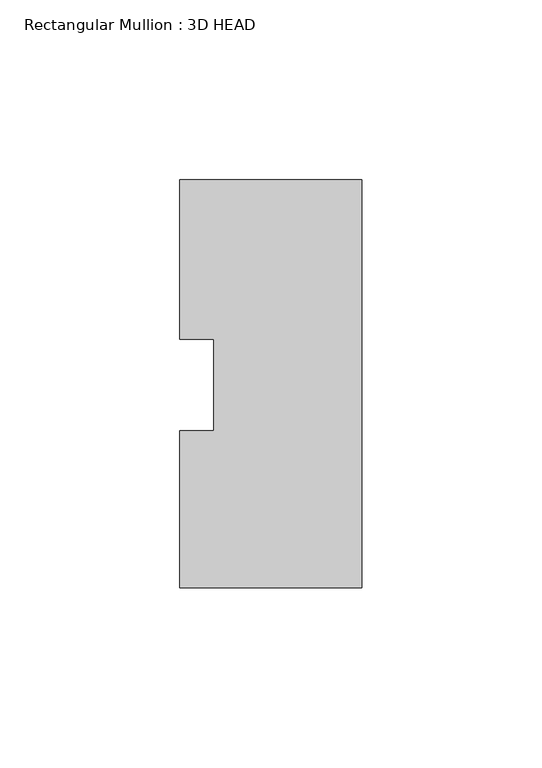
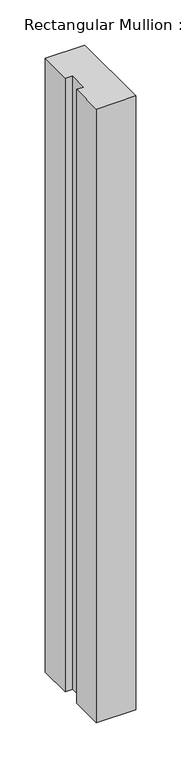
"""IFC4 building model written with IfcOpenShell, lengths in millimetres: member geometry, Rectangular Mullion : 3D HEAD."""

from ifc_helpers import new_model, si_unit, frame, origin, place, context, project, spatial, polyline, outline, extrude, source, transform, mapped, element, save


def rectangular_mullion_3d_head_901b5d95(model_context):
    return source(origin(), model_context, "Body", "SweptSolid", [
        extrude(outline(polyline([(0.0, -56.4681052), (-50.8, -56.4681052), (-50.8, -12.6827714), (-41.275, -12.6827714), (-41.275, 12.8118553), (-50.8, 12.8118553), (-50.8, 57.2618553), (0.0, 57.2618553), (0.0, -56.4681052)])), frame((0.0, 0.0, -831.6706924), z_axis=(0.0, 0.0, 1.0), x_axis=(1.0, 0.0, 0.0)), (0.0, 0.0, 1.0), 831.6706924),
    ])


if __name__ == "__main__":
    model = new_model("IFC4")
    model_context = context("Model", 3, world=origin())
    ifc_project = project(units=[si_unit("LENGTHUNIT", "METRE", prefix="MILLI")], contexts=[model_context])
    site = spatial("IfcSite", under=ifc_project)
    building = spatial("IfcBuilding", under=site)
    placement = place(None, origin())
    rectangular_mullion_3d_head_shape = rectangular_mullion_3d_head_901b5d95(model_context)
    element("IfcMember", 1, ObjectType="Rectangular Mullion : 3D HEAD", at=placement, inside=building, context=model_context, shape_type="MappedRepresentation", body=[
        mapped(rectangular_mullion_3d_head_shape, transform((0.0, 0.0, 0.0), x_axis=(1.0, 0.0, 0.0), y_axis=(0.0, 1.0, 0.0), z_axis=(0.0, 0.0, 1.0))),
    ])
    save(model, "model.ifc")
